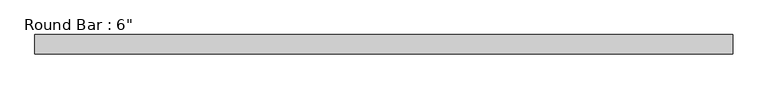
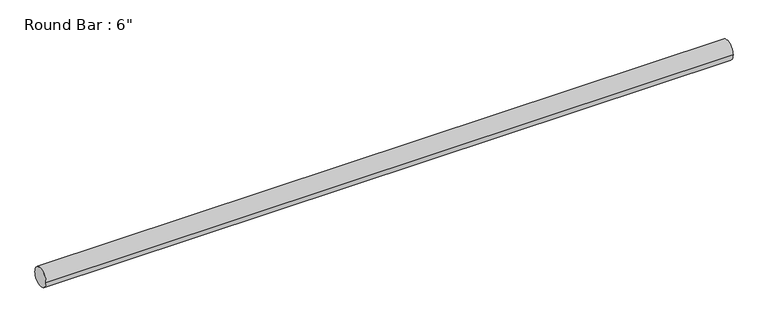
"""IFC4 building model written with IfcOpenShell, lengths in millimetres: beam geometry."""

from ifc_helpers import new_model, si_unit, point, frame, origin, origin_2d, place, context, project, spatial, circle_curve, trimmed, segment, composite_curve, outline, extrude, source, transform, mapped, element, save


def beam_3e71a69e(model_context):
    return source(origin(), model_context, "Body", "SweptSolid", [
        extrude(outline(composite_curve([segment(trimmed(circle_curve(origin_2d(), 76.2), [point((-76.2, 0.0))], [point((76.2, 0.0))], False, "CARTESIAN"), True, "CONTINUOUS"), segment(trimmed(circle_curve(origin_2d(), 76.2), [point((76.2, 0.0))], [point((-76.2, 0.0))], False, "CARTESIAN"), True, "CONTINUOUS")], self_intersect=False)), frame((-2729.2568199, 0.0, 0.0), z_axis=(1.0, 0.0, 0.0), x_axis=(0.0, 1.0, 0.0)), (0.0, 0.0, 1.0), 5458.5136399),
    ])


if __name__ == "__main__":
    model = new_model("IFC4")
    model_context = context("Model", 3, world=origin())
    ifc_project = project(units=[si_unit("LENGTHUNIT", "METRE", prefix="MILLI")], contexts=[model_context])
    site = spatial("IfcSite", under=ifc_project)
    building = spatial("IfcBuilding", under=site)
    placement = place(None, origin())
    beam_shape = beam_3e71a69e(model_context)
    element("IfcBeam", 1, ObjectType="Round Bar : 6\"", at=placement, inside=building, context=model_context, shape_type="MappedRepresentation", body=[
        mapped(beam_shape, transform((0.0, 0.0, 0.0), x_axis=(1.0, 0.0, 0.0), y_axis=(0.0, 1.0, 0.0), z_axis=(0.0, 0.0, 1.0))),
    ])
    save(model, "model.ifc")
